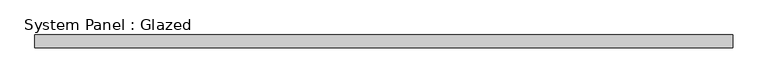
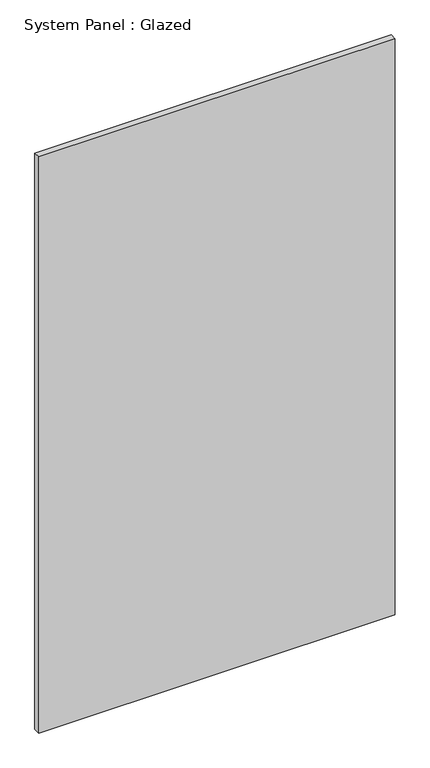
"""IFC4 building model written with IfcOpenShell, lengths in millimetres: plate geometry, System Panel : Glazed."""

from ifc_helpers import new_model, si_unit, origin, origin_with_axes, place, context, project, spatial, polyline, outline, extrude, source, transform, mapped, element, save


def system_panel_glazed_86859276(model_context):
    return source(origin(), model_context, "Body", "SweptSolid", [
        extrude(outline(polyline([(685.8, -44.45), (-685.8, -44.45), (-685.8, -19.05), (685.8, -19.05), (685.8, -44.45)])), origin_with_axes(), (0.0, 0.0, 1.0), 2343.15),
    ])


if __name__ == "__main__":
    model = new_model("IFC4")
    model_context = context("Model", 3, world=origin())
    ifc_project = project(units=[si_unit("LENGTHUNIT", "METRE", prefix="MILLI")], contexts=[model_context])
    site = spatial("IfcSite", under=ifc_project)
    building = spatial("IfcBuilding", under=site)
    placement = place(None, origin())
    system_panel_glazed_shape = system_panel_glazed_86859276(model_context)
    element("IfcPlate", 1, ObjectType="System Panel : Glazed", at=placement, inside=building, context=model_context, shape_type="MappedRepresentation", body=[
        mapped(system_panel_glazed_shape, transform((0.0, 0.0, 0.0), x_axis=(1.0, 0.0, 0.0), y_axis=(0.0, 1.0, 0.0), z_axis=(0.0, 0.0, 1.0))),
    ])
    save(model, "model.ifc")
